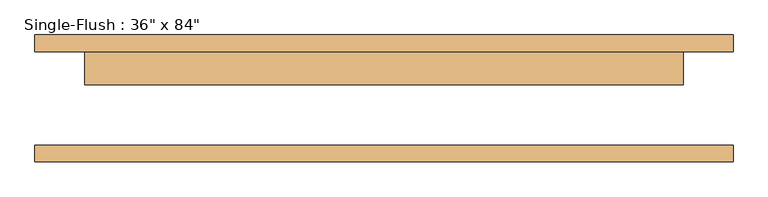
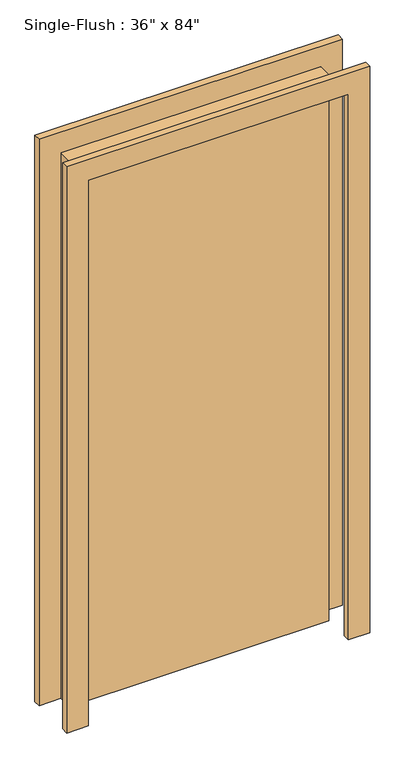
"""IFC4 building model written with IfcOpenShell, lengths in millimetres: door geometry."""

from ifc_helpers import new_model, si_unit, frame, origin, origin_with_axes, place, context, project, spatial, polyline, outline, extrude, source, transform, mapped, element, save


def door_b429eeed(model_context):
    return source(origin(), model_context, "Body", "SweptSolid", [
        extrude(outline(polyline([(2106.2, -533.4), (0.0, -533.4), (0.0, -457.2), (2030.0, -457.2), (2030.0, 457.2), (0.0, 457.2), (0.0, 533.4), (2106.2, 533.4), (2106.2, -533.4)])), frame((0.0, 71.4375, 0.0), z_axis=(0.0, 1.0, 0.0), x_axis=(0.0, 0.0, 1.0)), (0.0, 0.0, 1.0), 25.4),
        extrude(outline(polyline([(2106.2, 533.4), (2106.2, -533.4), (0.0, -533.4), (0.0, -457.2), (2030.0, -457.2), (2030.0, 457.2), (0.0, 457.2), (0.0, 533.4), (2106.2, 533.4)])), frame((0.0, -96.8375, 0.0), z_axis=(0.0, 1.0, 0.0), x_axis=(0.0, 0.0, 1.0)), (0.0, 0.0, 1.0), 25.4),
        extrude(outline(polyline([(457.2, 20.6375), (-457.2, 20.6375), (-457.2, 71.4375), (457.2, 71.4375), (457.2, 20.6375)])), origin_with_axes(), (0.0, 0.0, 1.0), 2030.0),
    ])


if __name__ == "__main__":
    model = new_model("IFC4")
    model_context = context("Model", 3, world=origin())
    ifc_project = project(units=[si_unit("LENGTHUNIT", "METRE", prefix="MILLI")], contexts=[model_context])
    site = spatial("IfcSite", under=ifc_project)
    building = spatial("IfcBuilding", under=site)
    placement = place(None, origin())
    door_shape = door_b429eeed(model_context)
    element("IfcDoor", 1, ObjectType="Single-Flush : 36\" x 84\"", at=placement, inside=building, context=model_context, shape_type="MappedRepresentation", body=[
        mapped(door_shape, transform((0.0, 0.0, 0.0), x_axis=(1.0, 0.0, 0.0), y_axis=(0.0, 1.0, 0.0), z_axis=(0.0, 0.0, 1.0))),
    ])
    save(model, "model.ifc")
